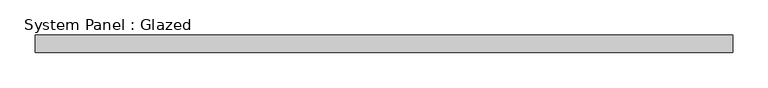
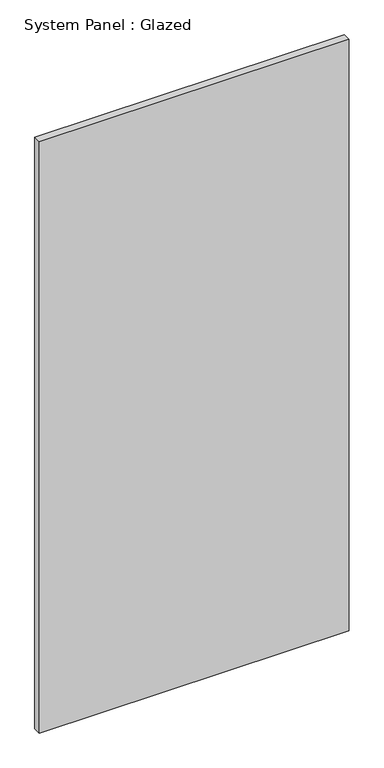
"""IFC4 building model written with IfcOpenShell, lengths in millimetres: plate geometry, System Panel : Glazed."""

from ifc_helpers import new_model, si_unit, origin, origin_with_axes, place, context, project, spatial, polyline, outline, extrude, source, transform, mapped, element, save


def system_panel_glazed_8e8aae1b(model_context):
    return source(origin(), model_context, "Body", "SweptSolid", [
        extrude(outline(polyline([(495.6280532, 24.5), (-495.6280532, 24.5), (-495.6280532, 49.5), (495.6280532, 49.5), (495.6280532, 24.5)])), origin_with_axes(), (0.0, 0.0, 1.0), 2000.0),
    ])


if __name__ == "__main__":
    model = new_model("IFC4")
    model_context = context("Model", 3, world=origin())
    ifc_project = project(units=[si_unit("LENGTHUNIT", "METRE", prefix="MILLI")], contexts=[model_context])
    site = spatial("IfcSite", under=ifc_project)
    building = spatial("IfcBuilding", under=site)
    placement = place(None, origin())
    system_panel_glazed_shape = system_panel_glazed_8e8aae1b(model_context)
    element("IfcPlate", 1, ObjectType="System Panel : Glazed", at=placement, inside=building, context=model_context, shape_type="MappedRepresentation", body=[
        mapped(system_panel_glazed_shape, transform((0.0, 0.0, 0.0), x_axis=(1.0, 0.0, 0.0), y_axis=(0.0, 1.0, 0.0), z_axis=(0.0, 0.0, 1.0))),
    ])
    save(model, "model.ifc")
